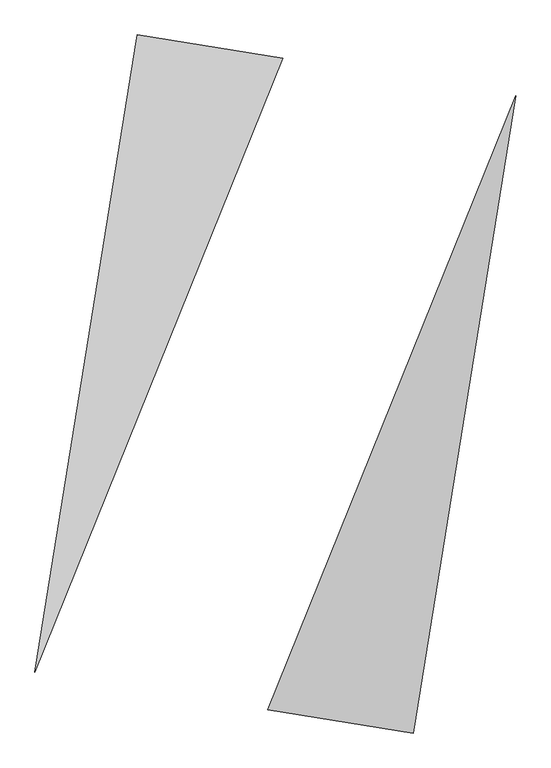
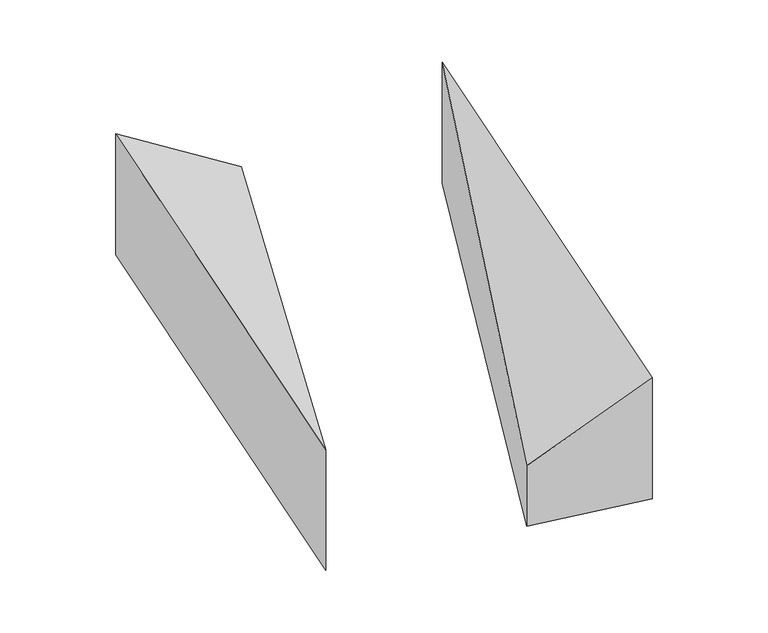
"""IFC4 building model written with IfcOpenShell, lengths in millimetres: proxy geometry."""

import ifcopenshell
import ifcopenshell.guid

model = None  # the IFC model being written
_history = None  # IfcOwnerHistory: only IFC2X3 demands one
_inside = {}  # id of a spatial element -> (the spatial element, [elements in it])
_under = {}  # id of a project, library or spatial element -> (it, [spatial elements below it])
_declared = {}  # id of a project -> (the project, [libraries it declares])
_typed = {}  # id of a type object -> (the type object, [elements of that type])
_made_of = {}  # id of a material, layer set ... -> (it, [elements and type objects made of it])


def new_model(schema):
    """Start an empty IFC model of exactly this schema.

    Asked for "IFC4X3", IfcOpenShell would pick the latest addendum, in which some entities
    have other attributes; the version numbers below select the first issue.
    IFC2X3 requires an IfcOwnerHistory on every rooted entity: one is made here for all.
    """
    global model, _history
    if schema == "IFC4X3":
        model = ifcopenshell.file(schema_version=(4, 3, 0, 0))
    else:
        model = ifcopenshell.file(schema=schema)
    _inside.clear()
    _under.clear()
    _declared.clear()
    _typed.clear()
    _made_of.clear()
    _history = None
    if model.schema == "IFC2X3":
        org = make("IfcOrganization", Name="unknown")
        user = make(
            "IfcPersonAndOrganization",
            ThePerson=make("IfcPerson", FamilyName="unknown"),
            TheOrganization=org,
        )
        app = make(
            "IfcApplication",
            ApplicationDeveloper=org,
            Version="unknown",
            ApplicationFullName="unknown",
            ApplicationIdentifier="unknown",
        )
        _history = make(
            "IfcOwnerHistory",
            OwningUser=user,
            OwningApplication=app,
            ChangeAction="ADDED",
            CreationDate=0,
        )
    return model


def make(cls, **values):
    """One entity of the class cls with the attributes given. An attribute that is None is left unset."""
    return model.create_entity(
        cls, **{name: value for name, value in values.items() if value is not None}
    )


def rooted(cls, **values):
    """An entity with a GlobalId (a new one), such as an element, a storey or a relation."""
    return make(cls, GlobalId=ifcopenshell.guid.new(), OwnerHistory=_history, **values)


def si_unit(unit_type, name, prefix=None):
    """IfcSIUnit, for example si_unit("LENGTHUNIT", "METRE", prefix="MILLI")."""
    return make("IfcSIUnit", UnitType=unit_type, Prefix=prefix, Name=name)


def assignment(units):
    """IfcUnitAssignment: the units of a project."""
    return None if units is None else make("IfcUnitAssignment", Units=units)


def point(xyz):
    """IfcCartesianPoint."""
    return None if xyz is None else make("IfcCartesianPoint", Coordinates=xyz)


def direction(xyz):
    """IfcDirection."""
    return None if xyz is None else make("IfcDirection", DirectionRatios=xyz)


def frame(location, z_axis=None, x_axis=None):
    """IfcAxis2Placement3D, a coordinate frame: its origin and axes. An axis left out is left unset."""
    return make(
        "IfcAxis2Placement3D",
        Location=point(location),
        Axis=direction(z_axis),
        RefDirection=direction(x_axis),
    )


def origin():
    """The frame at (0, 0, 0) with its axes left unset."""
    return frame((0.0, 0.0, 0.0))


def place(relative_to, where):
    """IfcLocalPlacement: puts the frame where relative to a parent placement (None: the world)."""
    return make(
        "IfcLocalPlacement", PlacementRelTo=relative_to, RelativePlacement=where
    )


def context(
    kind, dimensions, precision=None, world=None, true_north=None, identifier=None
):
    """IfcGeometricRepresentationContext, for example the 3D "Model" context."""
    return make(
        "IfcGeometricRepresentationContext",
        ContextIdentifier=identifier,
        ContextType=kind,
        CoordinateSpaceDimension=dimensions,
        Precision=precision,
        WorldCoordinateSystem=world,
        TrueNorth=true_north,
    )


def project(units=None, contexts=None):
    """IfcProject with its units and contexts."""
    return rooted(
        "IfcProject",
        Name="project",
        RepresentationContexts=contexts,
        UnitsInContext=assignment(units),
    )


def spatial(cls, under=None, at=None, **own):
    """A site, building, storey or space (cls), placed at a placement, below another one or the project."""
    s = rooted(cls, ObjectPlacement=at, **own)
    if under is not None:
        _under.setdefault(under.id(), (under, []))[1].append(s)
    return s


def faces_of(points, faces, orient=None, outer=None):
    """IfcFace entities. A face is a list of loops; a loop is a list of indices into points, from 0.

    orient and outer hold one flag for each loop. By default every Orientation is true, the
    first loop of a face is its IfcFaceOuterBound and the others are IfcFaceBound.
    """
    made = []
    for i, loops in enumerate(faces):
        bounds = []
        for j, loop in enumerate(loops):
            is_outer = j == 0 if outer is None else outer[i][j]
            bounds.append(
                make(
                    "IfcFaceOuterBound" if is_outer else "IfcFaceBound",
                    Bound=make("IfcPolyLoop", Polygon=[points[k] for k in loop]),
                    Orientation=True if orient is None else orient[i][j],
                )
            )
        made.append(make("IfcFace", Bounds=bounds))
    return made


def faceted_brep(points, faces, orient=None, outer=None, voids=None):
    """IfcFacetedBrep: a solid bounded by flat faces; with voids (closed shells), ...WithVoids."""
    shared = [point(p) for p in points]
    hull = make("IfcClosedShell", CfsFaces=faces_of(shared, faces, orient, outer))
    if voids is None:
        return make("IfcFacetedBrep", Outer=hull)
    return make(
        "IfcFacetedBrepWithVoids",
        Outer=hull,
        Voids=[
            make(cls, CfsFaces=faces_of(shared, fs, o, b)) for cls, fs, o, b in voids
        ],
    )


def shape(context_of_items, identifier, shape_type, items):
    """IfcShapeRepresentation: the items that make up one representation, for example the "Body"."""
    return make(
        "IfcShapeRepresentation",
        ContextOfItems=context_of_items,
        RepresentationIdentifier=identifier,
        RepresentationType=shape_type,
        Items=items,
    )


def source(mapping_origin, context_of_items, identifier, shape_type, items):
    """IfcRepresentationMap: a shape defined once, which mapped items show again and again."""
    return make(
        "IfcRepresentationMap",
        MappingOrigin=mapping_origin,
        MappedRepresentation=shape(context_of_items, identifier, shape_type, items),
    )


def transform(
    local_origin,
    x_axis=None,
    y_axis=None,
    z_axis=None,
    scale=None,
    scale2=None,
    scale3=None,
    uniform=True,
):
    """IfcCartesianTransformationOperator3D, or its non-uniform kind. x_axis, y_axis, z_axis: its Axis1, 2, 3."""
    if uniform:
        return make(
            "IfcCartesianTransformationOperator3D",
            Axis1=direction(x_axis),
            Axis2=direction(y_axis),
            LocalOrigin=point(local_origin),
            Scale=scale,
            Axis3=direction(z_axis),
        )
    return make(
        "IfcCartesianTransformationOperator3DnonUniform",
        Axis1=direction(x_axis),
        Axis2=direction(y_axis),
        LocalOrigin=point(local_origin),
        Scale=scale,
        Axis3=direction(z_axis),
        Scale2=scale2,
        Scale3=scale3,
    )


def mapped(mapping_source, mapping_target):
    """IfcMappedItem: shows the shape of a source again, moved by a transform."""
    return make(
        "IfcMappedItem", MappingSource=mapping_source, MappingTarget=mapping_target
    )


def made_of(thing, what):
    """Note that an element or type object is made of a material, layer set ...; save() writes the relation."""
    if what is not None:
        _made_of.setdefault(what.id(), (what, []))[1].append(thing)
    return thing


def element(
    cls,
    number,
    at=None,
    inside=None,
    cuts=None,
    type_object=None,
    material=None,
    context=None,
    identifier="Body",
    shape_type=None,
    held_by="IfcProductDefinitionShape",
    body=None,
    shapes=None,
    **own,
):
    """One element of the class cls, such as IfcWall. Its Tag is "e" and its number.

    at: its placement. inside: the storey or other place that contains it. cuts: it is an
    opening in that element (IfcRelVoidsElement). A single representation is given by context,
    identifier, shape_type and body (its items); several are given by shapes. held_by: the class
    of the entity that holds the representations. save() writes the other relations.
    """
    e = rooted(cls, Tag="e%d" % number, ObjectPlacement=at, **own)
    if body is not None:
        shapes = [shape(context, identifier, shape_type, body)]
    if shapes is not None:
        e.Representation = make(held_by, Representations=shapes)
    if inside is not None:
        _inside.setdefault(inside.id(), (inside, []))[1].append(e)
    if cuts is not None:
        rooted(
            "IfcRelVoidsElement", RelatingBuildingElement=cuts, RelatedOpeningElement=e
        )
    if type_object is not None:
        _typed.setdefault(type_object.id(), (type_object, []))[1].append(e)
    return made_of(e, material)


def aggregate(whole, parts):
    """IfcRelAggregates: a whole, such as a stair, and the parts it consists of."""
    return rooted("IfcRelAggregates", RelatingObject=whole, RelatedObjects=parts)


def save(model, path):
    """Write the relations noted so far, then the file.

    IfcRelAggregates (storeys below a building ...), IfcRelContainedInSpatialStructure (elements
    in a storey), IfcRelDefinesByType, IfcRelAssociatesMaterial and IfcRelDeclares: one each for
    every whole, place, type object, material and project.
    """
    for whole, parts in _under.values():
        aggregate(whole, parts)
    for where, things in _inside.values():
        rooted(
            "IfcRelContainedInSpatialStructure",
            RelatedElements=things,
            RelatingStructure=where,
        )
    for kind, things in _typed.values():
        rooted("IfcRelDefinesByType", RelatedObjects=things, RelatingType=kind)
    for what, things in _made_of.values():
        rooted("IfcRelAssociatesMaterial", RelatedObjects=things, RelatingMaterial=what)
    for by, libraries in _declared.values():
        rooted("IfcRelDeclares", RelatingContext=by, RelatedDefinitions=libraries)
    model.write(path)


def generic_models_02bd5937(model_context):
    return source(origin(), model_context, "Body", "Brep", [
        faceted_brep([(47.2919497, 2017.946483, 0.0), (-856.0170022, 2162.7277087, 0.0), (-856.0170022, 2162.7277087, 1000.0), (47.2919497, 2017.946483, 500.0), (-1489.0524341, -1786.862921, 0.0), (-1489.0524341, -1786.862921, 1000.0)], [[[0, 1, 2, 3]], [[1, 4, 5, 2]], [[4, 0, 3, 5]], [[3, 2, 5]], [[0, 4, 1]]]),
        faceted_brep([(856.0170022, -2162.7277087, 0.0), (1489.0524341, 1786.862921, 0.0), (1489.0524341, 1786.862921, 1000.0), (856.0170022, -2162.7277087, 1000.0), (-47.2919497, -2017.946483, 0.0), (-47.2919497, -2017.946483, 500.0)], [[[0, 1, 2, 3]], [[1, 4, 5, 2]], [[4, 0, 3, 5]], [[2, 5, 3]], [[0, 4, 1]]]),
    ])


if __name__ == "__main__":
    model = new_model("IFC4")
    model_context = context("Model", 3, world=origin())
    ifc_project = project(units=[si_unit("LENGTHUNIT", "METRE", prefix="MILLI")], contexts=[model_context])
    site = spatial("IfcSite", under=ifc_project)
    building = spatial("IfcBuilding", under=site)
    placement = place(None, origin())
    generic_models_shape = generic_models_02bd5937(model_context)
    element("IfcBuildingElementProxy", 1, Name="Generic Models", at=placement, inside=building, context=model_context, shape_type="MappedRepresentation", body=[
        mapped(generic_models_shape, transform((0.0, 0.0, 0.0), x_axis=(1.0, 0.0, 0.0), y_axis=(0.0, 1.0, 0.0), z_axis=(0.0, 0.0, 1.0))),
    ])
    save(model, "model.ifc")
